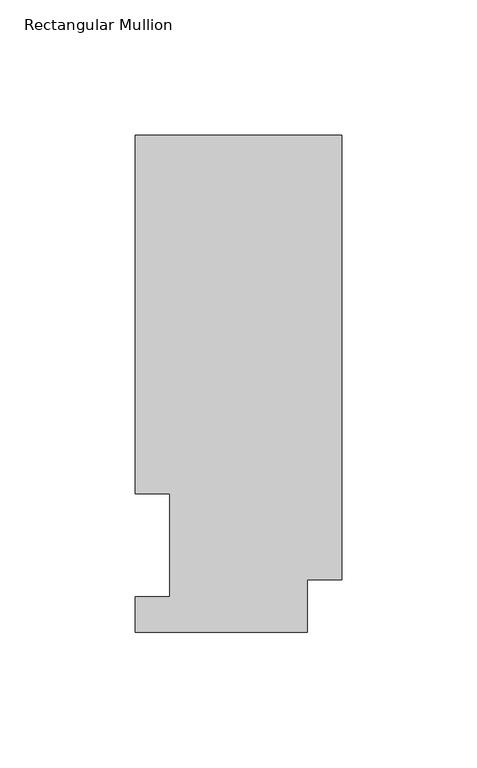
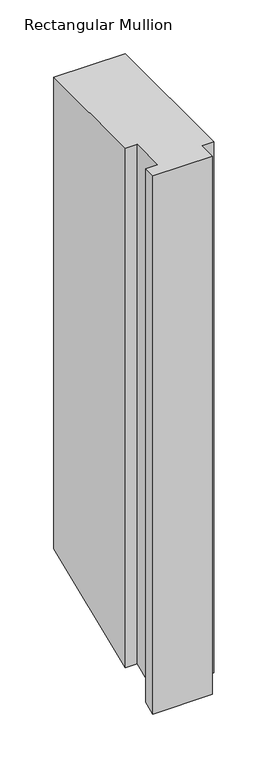
"""IFC4 building model written with IfcOpenShell, lengths in millimetres: member geometry, Rectangular Mullion."""

from ifc_helpers import new_model, si_unit, origin, place, context, project, spatial, faceted_brep, source, transform, mapped, element, save


def rectangular_mullion_e50d351a(model_context):
    return source(origin(), model_context, "Body", "Brep", [
        faceted_brep([(-76.2000004, 183.6764448, 0.0), (-76.2000004, 51.2960938, 0.0), (-63.5127002, 51.2960938, 0.0), (-63.5127001, 13.2170446, 0.0), (-76.2, 13.2170446, 0.0), (-76.2, 0.0344446, 0.0), (-12.7, 0.0344448, 0.0), (-12.7, 19.5670448, 0.0), (0.0, 19.5670448, 0.0), (0.0, 183.6764448, 0.0), (0.0, 183.6764448, -533.5060585), (-76.2000004, 183.6764448, -533.5060585), (0.0, 19.5670448, -601.4823977), (-12.7, 19.5670448, -601.4823977), (-12.7, 0.0344448, -609.5730656), (-76.2, 0.0344446, -609.5730656), (-76.2, 13.2170446, -604.1126539), (-63.5127001, 13.2170446, -604.1126539), (-63.5127002, 51.2960938, -588.3397953), (-76.2000004, 51.2960938, -588.3397953)], [[[0, 1, 2, 3, 4, 5, 6, 7, 8, 9]], [[0, 9, 10, 11]], [[9, 8, 12, 10]], [[8, 7, 13, 12]], [[7, 6, 14, 13]], [[6, 5, 15, 14]], [[5, 4, 16, 15]], [[4, 3, 17, 16]], [[3, 2, 18, 17]], [[2, 1, 19, 18]], [[1, 0, 11, 19]], [[11, 10, 12, 13, 14, 15, 16, 17, 18, 19]]]),
    ])


if __name__ == "__main__":
    model = new_model("IFC4")
    model_context = context("Model", 3, world=origin())
    ifc_project = project(units=[si_unit("LENGTHUNIT", "METRE", prefix="MILLI")], contexts=[model_context])
    site = spatial("IfcSite", under=ifc_project)
    building = spatial("IfcBuilding", under=site)
    placement = place(None, origin())
    rectangular_mullion_shape = rectangular_mullion_e50d351a(model_context)
    element("IfcMember", 1, ObjectType="Rectangular Mullion", at=placement, inside=building, context=model_context, shape_type="MappedRepresentation", body=[
        mapped(rectangular_mullion_shape, transform((0.0, 0.0, 0.0), x_axis=(1.0, 0.0, 0.0), y_axis=(0.0, 1.0, 0.0), z_axis=(0.0, 0.0, 1.0))),
    ])
    save(model, "model.ifc")
